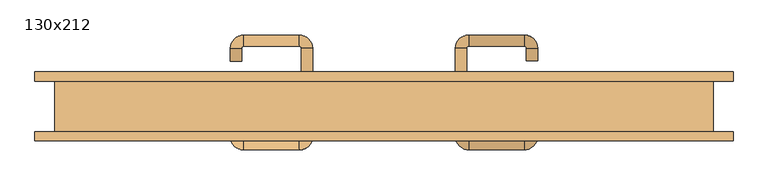
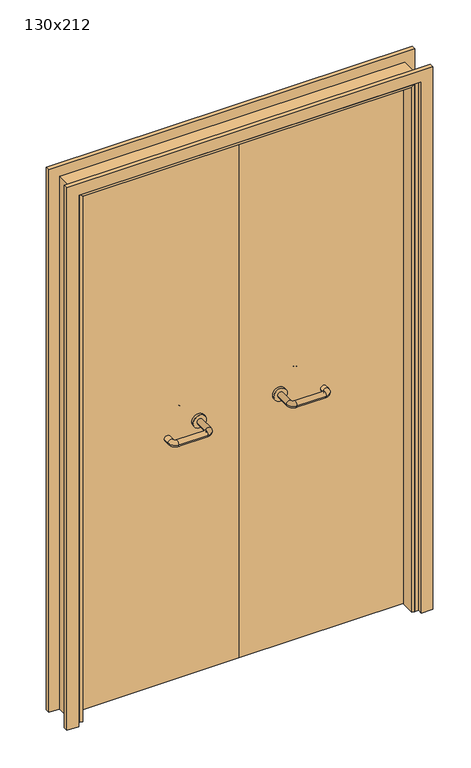
"""IFC4 building model written with IfcOpenShell, lengths in millimetres: door geometry, 130x212."""

from ifc_helpers import new_model, si_unit, point, frame, frame_2d, origin, place, context, project, spatial, polyline, circle_curve, ellipse_curve, trimmed, segment, composite_curve, outline, extrude, faceted_brep, source, transform, mapped, element, save
from ifc_brep_helpers import plane_surface, cylinder_surface, revolved_surface, advanced_brep


def door_130x212_60740bf2(model_context):
    return source(origin(), model_context, "Body", "SolidModel", [
        faceted_brep([(-620.0, 3.0, 0.0), (-620.0, -49.9, 0.0), (-630.0, -49.9, 0.0), (-630.0, 3.0, 0.0), (-620.0, 3.0, 2090.0), (-620.0, -49.9, 2090.0), (-630.0, -49.9, 2100.0), (-630.0, 3.0, 2100.0), (620.0, 3.0, 0.0), (630.0, 3.0, 0.0), (630.0, -49.9, 0.0), (620.0, -49.9, 0.0), (620.0, 3.0, 2090.0), (630.0, 3.0, 2100.0), (630.0, -49.9, 2100.0), (620.0, -49.9, 2090.0)], [[[0, 1, 2, 3]], [[1, 0, 4, 5]], [[2, 1, 5, 6]], [[3, 2, 6, 7]], [[0, 3, 7, 4]], [[8, 9, 10, 11]], [[12, 13, 9, 8]], [[13, 14, 10, 9]], [[14, 15, 11, 10]], [[15, 12, 8, 11]], [[5, 4, 12, 15]], [[6, 5, 15, 14]], [[7, 6, 14, 13]], [[4, 7, 13, 12]]]),
        extrude(outline(polyline([(2159.0, 689.0), (2159.0, -689.0), (0.0, -689.0), (0.0, -645.0), (2115.0, -645.0), (2115.0, 645.0), (0.0, 645.0), (0.0, 689.0), (2159.0, 689.0)])), frame((0.0, 50.0, 0.0), z_axis=(0.0, 1.0, 0.0), x_axis=(0.0, 0.0, 1.0)), (0.0, 0.0, 1.0), 18.0),
        extrude(outline(polyline([(2159.0, -689.0), (0.0, -689.0), (0.0, -645.0), (2115.0, -645.0), (2115.0, 645.0), (0.0, 645.0), (0.0, 689.0), (2159.0, 689.0), (2159.0, -689.0)])), frame((0.0, -68.0, 0.0), z_axis=(0.0, 1.0, 0.0), x_axis=(0.0, 0.0, 1.0)), (0.0, 0.0, 1.0), 18.0),
        extrude(outline(polyline([(2120.0, -650.0), (0.0, -650.0), (0.0, -630.0), (2100.0, -630.0), (2100.0, 630.0), (0.0, 630.0), (0.0, 650.0), (2120.0, 650.0), (2120.0, -650.0)])), frame((0.0, -49.9, 0.0), z_axis=(0.0, 1.0, 0.0), x_axis=(0.0, 0.0, 1.0)), (0.0, 0.0, 1.0), 99.9),
        advanced_brep(
        [(140.99898, -4.0, 1003.0), (162.99898, -4.0, 1003.0), (140.99898, -59.3525369, 1003.0), (162.99898, -59.3525369, 1003.0), (166.99898, -63.3525369, 1003.0), (166.99898, -85.3525369, 1003.0), (276.99898, -85.3525369, 1003.0), (276.99898, -63.3525369, 1003.0), (280.99898, -59.3525369, 1003.0), (302.99898, -59.3525369, 1003.0), (302.99898, -42.0, 1003.0), (280.99898, -42.0, 1003.0)],
        [
            (0, 1, circle_curve(frame((151.99898, -4.0, 1003.0), z_axis=(0.0, 1.0, 0.0), x_axis=(1.0, 0.0, 0.0)), 11.0)),
            (1, 0, circle_curve(frame((151.99898, -4.0, 1003.0), z_axis=(0.0, 1.0, 0.0), x_axis=(1.0, 0.0, 0.0)), 11.0)),
            (0, 2),
            (2, 3, circle_curve(frame((151.99898, -59.3525369, 1003.0), z_axis=(0.0, 1.0, 0.0), x_axis=(1.0, 0.0, 0.0)), 11.0)),
            (3, 1),
            (3, 2, circle_curve(frame((151.99898, -59.3525369, 1003.0), z_axis=(0.0, 1.0, 0.0), x_axis=(1.0, 0.0, 0.0)), 11.0)),
            (4, 3, circle_curve(frame((166.99898, -59.3525369, 1003.0), z_axis=(0.0, 0.0, -1.0), x_axis=(-1.0, 0.0, 0.0)), 4.0)),
            (2, 5, circle_curve(frame((166.99898, -59.3525369, 1003.0), z_axis=(0.0, 0.0, 1.0), x_axis=(-1.0, 0.0, 0.0)), 26.0)),
            (5, 4, circle_curve(frame((166.99898, -74.3525369, 1003.0), z_axis=(-1.0, 0.0, 0.0), x_axis=(0.0, 1.0, 0.0)), 11.0)),
            (4, 5, circle_curve(frame((166.99898, -74.3525369, 1003.0), z_axis=(-1.0, 0.0, 0.0), x_axis=(0.0, 1.0, 0.0)), 11.0)),
            (5, 6),
            (6, 7, circle_curve(frame((276.99898, -74.3525369, 1003.0), z_axis=(-1.0, 0.0, 0.0), x_axis=(0.0, 1.0, 0.0)), 11.0)),
            (7, 4),
            (7, 6, circle_curve(frame((276.99898, -74.3525369, 1003.0), z_axis=(-1.0, 0.0, 0.0), x_axis=(0.0, 1.0, 0.0)), 11.0)),
            (8, 7, circle_curve(frame((276.99898, -59.3525369, 1003.0), z_axis=(0.0, 0.0, -1.0), x_axis=(0.0, -1.0, 0.0)), 4.0)),
            (6, 9, circle_curve(frame((276.99898, -59.3525369, 1003.0), z_axis=(0.0, 0.0, 1.0), x_axis=(0.0, -1.0, 0.0)), 26.0)),
            (9, 8, circle_curve(frame((291.99898, -59.3525369, 1003.0), z_axis=(0.0, -1.0, 0.0), x_axis=(-1.0, 0.0, 0.0)), 11.0)),
            (8, 9, circle_curve(frame((291.99898, -59.3525369, 1003.0), z_axis=(0.0, -1.0, 0.0), x_axis=(-1.0, 0.0, 0.0)), 11.0)),
            (10, 11, circle_curve(frame((291.99898, -42.0, 1003.0), z_axis=(0.0, 1.0, 0.0), x_axis=(-1.0, 0.0, 0.0)), 11.0)),
            (11, 10, circle_curve(frame((291.99898, -42.0, 1003.0), z_axis=(0.0, 1.0, 0.0), x_axis=(-1.0, 0.0, 0.0)), 11.0)),
            (9, 10),
            (11, 8),
        ],
        [
            plane_surface(frame((140.99898, -4.0, 1003.0), z_axis=(0.0, 1.0, 0.0), x_axis=(0.0, 0.0, -1.0))),
            cylinder_surface(frame((151.99898, -4.0, 1003.0), z_axis=(0.0, 1.0, 0.0), x_axis=(1.0, 0.0, 0.0)), 11.0),
            revolved_surface(trimmed(ellipse_curve(frame((151.99898, -59.3525369, 1003.0), z_axis=(0.0, 1.0, 0.0), x_axis=(1.0, 0.0, 0.0)), 11.0, 11.0), [point((140.99898, -59.3525369, 1003.0))], [point((162.99898, -59.3525369, 1003.0))], True, "CARTESIAN"), (166.99898, -59.3525369, 1003.0), (0.0, 0.0, 1.0)),
            revolved_surface(trimmed(ellipse_curve(frame((151.99898, -59.3525369, 1003.0), z_axis=(0.0, 1.0, 0.0), x_axis=(1.0, 0.0, 0.0)), 11.0, 11.0), [point((162.99898, -59.3525369, 1003.0))], [point((140.99898, -59.3525369, 1003.0))], True, "CARTESIAN"), (166.99898, -59.3525369, 1003.0), (0.0, 0.0, 1.0)),
            cylinder_surface(frame((166.99898, -74.3525369, 1003.0), z_axis=(-1.0, 0.0, 0.0), x_axis=(0.0, 1.0, 0.0)), 11.0),
            revolved_surface(trimmed(ellipse_curve(frame((276.99898, -74.3525369, 1003.0), z_axis=(-1.0, 0.0, 0.0), x_axis=(0.0, 1.0, 0.0)), 11.0, 11.0), [point((276.99898, -85.3525369, 1003.0))], [point((276.99898, -63.3525369, 1003.0))], True, "CARTESIAN"), (276.99898, -59.3525369, 1003.0), (0.0, 0.0, 1.0)),
            revolved_surface(trimmed(ellipse_curve(frame((276.99898, -74.3525369, 1003.0), z_axis=(-1.0, 0.0, 0.0), x_axis=(0.0, 1.0, 0.0)), 11.0, 11.0), [point((276.99898, -63.3525369, 1003.0))], [point((276.99898, -85.3525369, 1003.0))], True, "CARTESIAN"), (276.99898, -59.3525369, 1003.0), (0.0, 0.0, 1.0)),
            plane_surface(frame((280.99898, -42.0, 1003.0), z_axis=(0.0, 1.0, 0.0), x_axis=(0.0, 0.0, 1.0))),
            cylinder_surface(frame((291.99898, -59.3525369, 1003.0), z_axis=(0.0, -1.0, 0.0), x_axis=(-1.0, 0.0, 0.0)), 11.0),
        ],
        [
            (0, [[1, 2]]),
            (1, [[-1, 3, 4, 5]]),
            (1, [[-2, -5, 6, -3]]),
            (2, [[7, -4, 8, 9]]),
            (3, [[-8, -6, -7, 10]]),
            (4, [[-9, 11, 12, 13]]),
            (4, [[-10, -13, 14, -11]]),
            (5, [[15, -12, 16, 17]]),
            (6, [[-16, -14, -15, 18]]),
            (7, [[19, 20]]),
            (8, [[-17, 21, -20, 22]]),
            (8, [[-18, -22, -19, -21]]),
        ],
    ),
        extrude(outline(composite_curve([segment(trimmed(circle_curve(frame_2d((1003.0, 151.99898)), 25.0), [point((1003.0, 126.99898))], [point((1003.0, 176.99898))], False, "CARTESIAN"), True, "CONTINUOUS"), segment(trimmed(circle_curve(frame_2d((1003.0, 151.99898)), 25.0), [point((1003.0, 176.99898))], [point((1003.0, 126.99898))], False, "CARTESIAN"), True, "CONTINUOUS")], self_intersect=False)), frame((0.0, -4.0, 0.0), z_axis=(0.0, 1.0, 0.0), x_axis=(0.0, 0.0, 1.0)), (0.0, 0.0, 1.0), 10.0),
        advanced_brep(
        [(162.99898, 60.0, 1003.0), (140.99898, 60.0, 1003.0), (162.99898, 115.0, 1003.0), (140.99898, 115.0, 1003.0), (166.99898, 141.0, 1003.0), (166.99898, 119.0, 1003.0), (276.99898, 119.0, 1003.0), (276.99898, 141.0, 1003.0), (302.99898, 115.0, 1003.0), (280.99898, 115.0, 1003.0), (280.99898, 90.0, 1003.0), (302.99898, 90.0, 1003.0)],
        [
            (0, 1, circle_curve(frame((151.99898, 60.0, 1003.0), z_axis=(0.0, -1.0, 0.0), x_axis=(-1.0, 0.0, 0.0)), 11.0)),
            (1, 0, circle_curve(frame((151.99898, 60.0, 1003.0), z_axis=(0.0, -1.0, 0.0), x_axis=(-1.0, 0.0, 0.0)), 11.0)),
            (0, 2),
            (2, 3, circle_curve(frame((151.99898, 115.0, 1003.0), z_axis=(0.0, -1.0, 0.0), x_axis=(-1.0, 0.0, 0.0)), 11.0)),
            (3, 1),
            (3, 2, circle_curve(frame((151.99898, 115.0, 1003.0), z_axis=(0.0, -1.0, 0.0), x_axis=(-1.0, 0.0, 0.0)), 11.0)),
            (4, 3, circle_curve(frame((166.99898, 115.0, 1003.0), z_axis=(0.0, 0.0, 1.0), x_axis=(-1.0, 0.0, 0.0)), 26.0)),
            (2, 5, circle_curve(frame((166.99898, 115.0, 1003.0), z_axis=(0.0, 0.0, -1.0), x_axis=(-1.0, 0.0, 0.0)), 4.0)),
            (5, 4, circle_curve(frame((166.99898, 130.0, 1003.0), z_axis=(-1.0, 0.0, 0.0), x_axis=(0.0, 1.0, 0.0)), 11.0)),
            (4, 5, circle_curve(frame((166.99898, 130.0, 1003.0), z_axis=(-1.0, 0.0, 0.0), x_axis=(0.0, 1.0, 0.0)), 11.0)),
            (5, 6),
            (6, 7, circle_curve(frame((276.99898, 130.0, 1003.0), z_axis=(-1.0, 0.0, 0.0), x_axis=(0.0, 1.0, 0.0)), 11.0)),
            (7, 4),
            (7, 6, circle_curve(frame((276.99898, 130.0, 1003.0), z_axis=(-1.0, 0.0, 0.0), x_axis=(0.0, 1.0, 0.0)), 11.0)),
            (8, 7, circle_curve(frame((276.99898, 115.0, 1003.0), z_axis=(0.0, 0.0, 1.0), x_axis=(0.0, 1.0, 0.0)), 26.0)),
            (6, 9, circle_curve(frame((276.99898, 115.0, 1003.0), z_axis=(0.0, 0.0, -1.0), x_axis=(0.0, 1.0, 0.0)), 4.0)),
            (9, 8, circle_curve(frame((291.99898, 115.0, 1003.0), z_axis=(0.0, 1.0, 0.0), x_axis=(1.0, 0.0, 0.0)), 11.0)),
            (8, 9, circle_curve(frame((291.99898, 115.0, 1003.0), z_axis=(0.0, 1.0, 0.0), x_axis=(1.0, 0.0, 0.0)), 11.0)),
            (10, 11, circle_curve(frame((291.99898, 90.0, 1003.0), z_axis=(0.0, -1.0, 0.0), x_axis=(1.0, 0.0, 0.0)), 11.0)),
            (11, 10, circle_curve(frame((291.99898, 90.0, 1003.0), z_axis=(0.0, -1.0, 0.0), x_axis=(1.0, 0.0, 0.0)), 11.0)),
            (9, 10),
            (11, 8),
        ],
        [
            plane_surface(frame((140.99898, 60.0, 1003.0), z_axis=(0.0, -1.0, 0.0), x_axis=(0.0, 0.0, 1.0))),
            cylinder_surface(frame((151.99898, 60.0, 1003.0), z_axis=(0.0, -1.0, 0.0), x_axis=(-1.0, 0.0, 0.0)), 11.0),
            revolved_surface(trimmed(ellipse_curve(frame((151.99898, 115.0, 1003.0), z_axis=(0.0, -1.0, 0.0), x_axis=(-1.0, 0.0, 0.0)), 11.0, 11.0), [point((162.99898, 115.0, 1003.0))], [point((140.99898, 115.0, 1003.0))], True, "CARTESIAN"), (166.99898, 115.0, 1003.0), (0.0, 0.0, -1.0)),
            revolved_surface(trimmed(ellipse_curve(frame((151.99898, 115.0, 1003.0), z_axis=(0.0, -1.0, 0.0), x_axis=(-1.0, 0.0, 0.0)), 11.0, 11.0), [point((140.99898, 115.0, 1003.0))], [point((162.99898, 115.0, 1003.0))], True, "CARTESIAN"), (166.99898, 115.0, 1003.0), (0.0, 0.0, -1.0)),
            cylinder_surface(frame((166.99898, 130.0, 1003.0), z_axis=(-1.0, 0.0, 0.0), x_axis=(0.0, 1.0, 0.0)), 11.0),
            revolved_surface(trimmed(ellipse_curve(frame((276.99898, 130.0, 1003.0), z_axis=(-1.0, 0.0, 0.0), x_axis=(0.0, 1.0, 0.0)), 11.0, 11.0), [point((276.99898, 119.0, 1003.0))], [point((276.99898, 141.0, 1003.0))], True, "CARTESIAN"), (276.99898, 115.0, 1003.0), (0.0, 0.0, -1.0)),
            revolved_surface(trimmed(ellipse_curve(frame((276.99898, 130.0, 1003.0), z_axis=(-1.0, 0.0, 0.0), x_axis=(0.0, 1.0, 0.0)), 11.0, 11.0), [point((276.99898, 141.0, 1003.0))], [point((276.99898, 119.0, 1003.0))], True, "CARTESIAN"), (276.99898, 115.0, 1003.0), (0.0, 0.0, -1.0)),
            plane_surface(frame((280.99898, 90.0, 1003.0), z_axis=(0.0, -1.0, 0.0), x_axis=(0.0, 0.0, -1.0))),
            cylinder_surface(frame((291.99898, 115.0, 1003.0), z_axis=(0.0, 1.0, 0.0), x_axis=(1.0, 0.0, 0.0)), 11.0),
        ],
        [
            (0, [[1, 2]]),
            (1, [[-1, 3, 4, 5]]),
            (1, [[-2, -5, 6, -3]]),
            (2, [[7, -4, 8, 9]]),
            (3, [[-8, -6, -7, 10]]),
            (4, [[-9, 11, 12, 13]]),
            (4, [[-10, -13, 14, -11]]),
            (5, [[15, -12, 16, 17]]),
            (6, [[-16, -14, -15, 18]]),
            (7, [[19, 20]]),
            (8, [[-17, 21, -20, 22]]),
            (8, [[-18, -22, -19, -21]]),
        ],
    ),
        extrude(outline(composite_curve([segment(trimmed(circle_curve(frame_2d((1003.0, 151.99898)), 25.0), [point((1003.0, 176.99898))], [point((1003.0, 126.99898))], False, "CARTESIAN"), True, "CONTINUOUS"), segment(trimmed(circle_curve(frame_2d((1003.0, 151.99898)), 25.0), [point((1003.0, 126.99898))], [point((1003.0, 176.99898))], False, "CARTESIAN"), True, "CONTINUOUS")], self_intersect=False)), frame((0.0, 50.0, 0.0), z_axis=(0.0, 1.0, 0.0), x_axis=(0.0, 0.0, 1.0)), (0.0, 0.0, 1.0), 10.0),
        advanced_brep(
        [(-162.99898, -4.3113879, 1003.0), (-140.99898, -4.3113879, 1003.0), (-162.99898, -59.7220447, 1003.0), (-140.99898, -59.7220447, 1003.0), (-166.99898, -85.7220447, 1003.0), (-166.99898, -63.7220447, 1003.0), (-276.99898, -63.7220447, 1003.0), (-276.99898, -85.7220447, 1003.0), (-302.99898, -59.7220447, 1003.0), (-280.99898, -59.7220447, 1003.0), (-280.99898, -34.7220447, 1003.0), (-302.99898, -34.7220447, 1003.0)],
        [
            (0, 1, circle_curve(frame((-151.99898, -4.3113879, 1003.0), z_axis=(0.0, 1.0, 0.0), x_axis=(1.0, 0.0, 0.0)), 11.0)),
            (1, 0, circle_curve(frame((-151.99898, -4.3113879, 1003.0), z_axis=(0.0, 1.0, 0.0), x_axis=(1.0, 0.0, 0.0)), 11.0)),
            (0, 2),
            (2, 3, circle_curve(frame((-151.99898, -59.7220447, 1003.0), z_axis=(0.0, 1.0, 0.0), x_axis=(1.0, 0.0, 0.0)), 11.0)),
            (3, 1),
            (3, 2, circle_curve(frame((-151.99898, -59.7220447, 1003.0), z_axis=(0.0, 1.0, 0.0), x_axis=(1.0, 0.0, 0.0)), 11.0)),
            (4, 3, circle_curve(frame((-166.99898, -59.7220447, 1003.0), z_axis=(0.0, 0.0, 1.0), x_axis=(1.0, 0.0, 0.0)), 26.0)),
            (2, 5, circle_curve(frame((-166.99898, -59.7220447, 1003.0), z_axis=(0.0, 0.0, -1.0), x_axis=(1.0, 0.0, 0.0)), 4.0)),
            (5, 4, circle_curve(frame((-166.99898, -74.7220447, 1003.0), z_axis=(1.0, 0.0, 0.0), x_axis=(0.0, -1.0, 0.0)), 11.0)),
            (4, 5, circle_curve(frame((-166.99898, -74.7220447, 1003.0), z_axis=(1.0, 0.0, 0.0), x_axis=(0.0, -1.0, 0.0)), 11.0)),
            (5, 6),
            (6, 7, circle_curve(frame((-276.99898, -74.7220447, 1003.0), z_axis=(1.0, 0.0, 0.0), x_axis=(0.0, -1.0, 0.0)), 11.0)),
            (7, 4),
            (7, 6, circle_curve(frame((-276.99898, -74.7220447, 1003.0), z_axis=(1.0, 0.0, 0.0), x_axis=(0.0, -1.0, 0.0)), 11.0)),
            (8, 7, circle_curve(frame((-276.99898, -59.7220447, 1003.0), z_axis=(0.0, 0.0, 1.0), x_axis=(0.0, -1.0, 0.0)), 26.0)),
            (6, 9, circle_curve(frame((-276.99898, -59.7220447, 1003.0), z_axis=(0.0, 0.0, -1.0), x_axis=(0.0, -1.0, 0.0)), 4.0)),
            (9, 8, circle_curve(frame((-291.99898, -59.7220447, 1003.0), z_axis=(0.0, -1.0, 0.0), x_axis=(-1.0, 0.0, 0.0)), 11.0)),
            (8, 9, circle_curve(frame((-291.99898, -59.7220447, 1003.0), z_axis=(0.0, -1.0, 0.0), x_axis=(-1.0, 0.0, 0.0)), 11.0)),
            (10, 11, circle_curve(frame((-291.99898, -34.7220447, 1003.0), z_axis=(0.0, 1.0, 0.0), x_axis=(-1.0, 0.0, 0.0)), 11.0)),
            (11, 10, circle_curve(frame((-291.99898, -34.7220447, 1003.0), z_axis=(0.0, 1.0, 0.0), x_axis=(-1.0, 0.0, 0.0)), 11.0)),
            (9, 10),
            (11, 8),
        ],
        [
            plane_surface(frame((-162.99898, -4.3113879, 1003.0), z_axis=(0.0, 1.0, 0.0), x_axis=(0.0, 0.0, -1.0))),
            cylinder_surface(frame((-151.99898, -4.3113879, 1003.0), z_axis=(0.0, 1.0, 0.0), x_axis=(1.0, 0.0, 0.0)), 11.0),
            revolved_surface(trimmed(ellipse_curve(frame((-151.99898, -59.7220447, 1003.0), z_axis=(0.0, 1.0, 0.0), x_axis=(1.0, 0.0, 0.0)), 11.0, 11.0), [point((-162.99898, -59.7220447, 1003.0))], [point((-140.99898, -59.7220447, 1003.0))], True, "CARTESIAN"), (-166.99898, -59.7220447, 1003.0), (0.0, 0.0, -1.0)),
            revolved_surface(trimmed(ellipse_curve(frame((-151.99898, -59.7220447, 1003.0), z_axis=(0.0, 1.0, 0.0), x_axis=(1.0, 0.0, 0.0)), 11.0, 11.0), [point((-140.99898, -59.7220447, 1003.0))], [point((-162.99898, -59.7220447, 1003.0))], True, "CARTESIAN"), (-166.99898, -59.7220447, 1003.0), (0.0, 0.0, -1.0)),
            cylinder_surface(frame((-166.99898, -74.7220447, 1003.0), z_axis=(1.0, 0.0, 0.0), x_axis=(0.0, -1.0, 0.0)), 11.0),
            revolved_surface(trimmed(ellipse_curve(frame((-276.99898, -74.7220447, 1003.0), z_axis=(1.0, 0.0, 0.0), x_axis=(0.0, -1.0, 0.0)), 11.0, 11.0), [point((-276.99898, -63.7220447, 1003.0))], [point((-276.99898, -85.7220447, 1003.0))], True, "CARTESIAN"), (-276.99898, -59.7220447, 1003.0), (0.0, 0.0, -1.0)),
            revolved_surface(trimmed(ellipse_curve(frame((-276.99898, -74.7220447, 1003.0), z_axis=(1.0, 0.0, 0.0), x_axis=(0.0, -1.0, 0.0)), 11.0, 11.0), [point((-276.99898, -85.7220447, 1003.0))], [point((-276.99898, -63.7220447, 1003.0))], True, "CARTESIAN"), (-276.99898, -59.7220447, 1003.0), (0.0, 0.0, -1.0)),
            plane_surface(frame((-302.99898, -34.7220447, 1003.0), z_axis=(0.0, 1.0, 0.0), x_axis=(0.0, 0.0, 1.0))),
            cylinder_surface(frame((-291.99898, -59.7220447, 1003.0), z_axis=(0.0, -1.0, 0.0), x_axis=(-1.0, 0.0, 0.0)), 11.0),
        ],
        [
            (0, [[1, 2]]),
            (1, [[-1, 3, 4, 5]]),
            (1, [[-2, -5, 6, -3]]),
            (2, [[7, -4, 8, 9]]),
            (3, [[-8, -6, -7, 10]]),
            (4, [[-9, 11, 12, 13]]),
            (4, [[-10, -13, 14, -11]]),
            (5, [[15, -12, 16, 17]]),
            (6, [[-16, -14, -15, 18]]),
            (7, [[19, 20]]),
            (8, [[-17, 21, -20, 22]]),
            (8, [[-18, -22, -19, -21]]),
        ],
    ),
        extrude(outline(composite_curve([segment(trimmed(circle_curve(frame_2d((1003.0, -151.99898)), 25.0), [point((1003.0, -176.99898))], [point((1003.0, -126.99898))], False, "CARTESIAN"), True, "CONTINUOUS"), segment(trimmed(circle_curve(frame_2d((1003.0, -151.99898)), 25.0), [point((1003.0, -126.99898))], [point((1003.0, -176.99898))], False, "CARTESIAN"), True, "CONTINUOUS")], self_intersect=False)), frame((0.0, -4.3113879, 0.0), z_axis=(0.0, 1.0, 0.0), x_axis=(0.0, 0.0, 1.0)), (0.0, 0.0, 1.0), 10.3113879),
        advanced_brep(
        [(-140.99898, 59.5143417, 1003.0), (-162.99898, 59.5143417, 1003.0), (-140.99898, 114.6104656, 1003.0), (-162.99898, 114.6104656, 1003.0), (-166.99898, 118.6104656, 1003.0), (-166.99898, 140.6104656, 1003.0), (-276.99898, 140.6104656, 1003.0), (-276.99898, 118.6104656, 1003.0), (-280.99898, 114.6104656, 1003.0), (-302.99898, 114.6104656, 1003.0), (-302.99898, 89.6104656, 1003.0), (-280.99898, 89.6104656, 1003.0)],
        [
            (0, 1, circle_curve(frame((-151.99898, 59.5143417, 1003.0), z_axis=(0.0, -1.0, 0.0), x_axis=(-1.0, 0.0, 0.0)), 11.0)),
            (1, 0, circle_curve(frame((-151.99898, 59.5143417, 1003.0), z_axis=(0.0, -1.0, 0.0), x_axis=(-1.0, 0.0, 0.0)), 11.0)),
            (0, 2),
            (2, 3, circle_curve(frame((-151.99898, 114.6104656, 1003.0), z_axis=(0.0, -1.0, 0.0), x_axis=(-1.0, 0.0, 0.0)), 11.0)),
            (3, 1),
            (3, 2, circle_curve(frame((-151.99898, 114.6104656, 1003.0), z_axis=(0.0, -1.0, 0.0), x_axis=(-1.0, 0.0, 0.0)), 11.0)),
            (4, 3, circle_curve(frame((-166.99898, 114.6104656, 1003.0), z_axis=(0.0, 0.0, -1.0), x_axis=(1.0, 0.0, 0.0)), 4.0)),
            (2, 5, circle_curve(frame((-166.99898, 114.6104656, 1003.0), z_axis=(0.0, 0.0, 1.0), x_axis=(1.0, 0.0, 0.0)), 26.0)),
            (5, 4, circle_curve(frame((-166.99898, 129.6104656, 1003.0), z_axis=(1.0, 0.0, 0.0), x_axis=(0.0, -1.0, 0.0)), 11.0)),
            (4, 5, circle_curve(frame((-166.99898, 129.6104656, 1003.0), z_axis=(1.0, 0.0, 0.0), x_axis=(0.0, -1.0, 0.0)), 11.0)),
            (5, 6),
            (6, 7, circle_curve(frame((-276.99898, 129.6104656, 1003.0), z_axis=(1.0, 0.0, 0.0), x_axis=(0.0, -1.0, 0.0)), 11.0)),
            (7, 4),
            (7, 6, circle_curve(frame((-276.99898, 129.6104656, 1003.0), z_axis=(1.0, 0.0, 0.0), x_axis=(0.0, -1.0, 0.0)), 11.0)),
            (8, 7, circle_curve(frame((-276.99898, 114.6104656, 1003.0), z_axis=(0.0, 0.0, -1.0), x_axis=(0.0, 1.0, 0.0)), 4.0)),
            (6, 9, circle_curve(frame((-276.99898, 114.6104656, 1003.0), z_axis=(0.0, 0.0, 1.0), x_axis=(0.0, 1.0, 0.0)), 26.0)),
            (9, 8, circle_curve(frame((-291.99898, 114.6104656, 1003.0), z_axis=(0.0, 1.0, 0.0), x_axis=(1.0, 0.0, 0.0)), 11.0)),
            (8, 9, circle_curve(frame((-291.99898, 114.6104656, 1003.0), z_axis=(0.0, 1.0, 0.0), x_axis=(1.0, 0.0, 0.0)), 11.0)),
            (10, 11, circle_curve(frame((-291.99898, 89.6104656, 1003.0), z_axis=(0.0, -1.0, 0.0), x_axis=(1.0, 0.0, 0.0)), 11.0)),
            (11, 10, circle_curve(frame((-291.99898, 89.6104656, 1003.0), z_axis=(0.0, -1.0, 0.0), x_axis=(1.0, 0.0, 0.0)), 11.0)),
            (9, 10),
            (11, 8),
        ],
        [
            plane_surface(frame((-162.99898, 59.5143417, 1003.0), z_axis=(0.0, -1.0, 0.0), x_axis=(0.0, 0.0, 1.0))),
            cylinder_surface(frame((-151.99898, 59.5143417, 1003.0), z_axis=(0.0, -1.0, 0.0), x_axis=(-1.0, 0.0, 0.0)), 11.0),
            revolved_surface(trimmed(ellipse_curve(frame((-151.99898, 114.6104656, 1003.0), z_axis=(0.0, -1.0, 0.0), x_axis=(-1.0, 0.0, 0.0)), 11.0, 11.0), [point((-140.99898, 114.6104656, 1003.0))], [point((-162.99898, 114.6104656, 1003.0))], True, "CARTESIAN"), (-166.99898, 114.6104656, 1003.0), (0.0, 0.0, 1.0)),
            revolved_surface(trimmed(ellipse_curve(frame((-151.99898, 114.6104656, 1003.0), z_axis=(0.0, -1.0, 0.0), x_axis=(-1.0, 0.0, 0.0)), 11.0, 11.0), [point((-162.99898, 114.6104656, 1003.0))], [point((-140.99898, 114.6104656, 1003.0))], True, "CARTESIAN"), (-166.99898, 114.6104656, 1003.0), (0.0, 0.0, 1.0)),
            cylinder_surface(frame((-166.99898, 129.6104656, 1003.0), z_axis=(1.0, 0.0, 0.0), x_axis=(0.0, -1.0, 0.0)), 11.0),
            revolved_surface(trimmed(ellipse_curve(frame((-276.99898, 129.6104656, 1003.0), z_axis=(1.0, 0.0, 0.0), x_axis=(0.0, -1.0, 0.0)), 11.0, 11.0), [point((-276.99898, 140.6104656, 1003.0))], [point((-276.99898, 118.6104656, 1003.0))], True, "CARTESIAN"), (-276.99898, 114.6104656, 1003.0), (0.0, 0.0, 1.0)),
            revolved_surface(trimmed(ellipse_curve(frame((-276.99898, 129.6104656, 1003.0), z_axis=(1.0, 0.0, 0.0), x_axis=(0.0, -1.0, 0.0)), 11.0, 11.0), [point((-276.99898, 118.6104656, 1003.0))], [point((-276.99898, 140.6104656, 1003.0))], True, "CARTESIAN"), (-276.99898, 114.6104656, 1003.0), (0.0, 0.0, 1.0)),
            plane_surface(frame((-302.99898, 89.6104656, 1003.0), z_axis=(0.0, -1.0, 0.0), x_axis=(0.0, 0.0, -1.0))),
            cylinder_surface(frame((-291.99898, 114.6104656, 1003.0), z_axis=(0.0, 1.0, 0.0), x_axis=(1.0, 0.0, 0.0)), 11.0),
        ],
        [
            (0, [[1, 2]]),
            (1, [[-1, 3, 4, 5]]),
            (1, [[-2, -5, 6, -3]]),
            (2, [[7, -4, 8, 9]]),
            (3, [[-8, -6, -7, 10]]),
            (4, [[-9, 11, 12, 13]]),
            (4, [[-10, -13, 14, -11]]),
            (5, [[15, -12, 16, 17]]),
            (6, [[-16, -14, -15, 18]]),
            (7, [[19, 20]]),
            (8, [[-17, 21, -20, 22]]),
            (8, [[-18, -22, -19, -21]]),
        ],
    ),
        extrude(outline(composite_curve([segment(trimmed(circle_curve(frame_2d((1003.0, -151.99898)), 25.0), [point((1003.0, -126.99898))], [point((1003.0, -176.99898))], False, "CARTESIAN"), True, "CONTINUOUS"), segment(trimmed(circle_curve(frame_2d((1003.0, -151.99898)), 25.0), [point((1003.0, -176.99898))], [point((1003.0, -126.99898))], False, "CARTESIAN"), True, "CONTINUOUS")], self_intersect=False)), frame((0.0, 50.0, 0.0), z_axis=(0.0, 1.0, 0.0), x_axis=(0.0, 0.0, 1.0)), (0.0, 0.0, 1.0), 9.5143417),
        extrude(outline(polyline([(1.0739506, 6.0), (-627.0, 6.0), (-627.0, 50.0), (1.0739506, 50.0), (1.0739506, 6.0)])), frame((0.0, 0.0, 1.753223), z_axis=(0.0, 0.0, 1.0), x_axis=(1.0, 0.0, 0.0)), (0.0, 0.0, 1.0), 2098.246777),
        extrude(outline(polyline([(627.0, 6.0), (1.0739506, 6.0), (1.0739506, 50.0), (627.0, 50.0), (627.0, 6.0)])), frame((0.0, 0.0, 1.753223), z_axis=(0.0, 0.0, 1.0), x_axis=(1.0, 0.0, 0.0)), (0.0, 0.0, 1.0), 2098.246777),
    ])


if __name__ == "__main__":
    model = new_model("IFC4")
    model_context = context("Model", 3, world=origin())
    ifc_project = project(units=[si_unit("LENGTHUNIT", "METRE", prefix="MILLI")], contexts=[model_context])
    site = spatial("IfcSite", under=ifc_project)
    building = spatial("IfcBuilding", under=site)
    placement = place(None, origin())
    door_130x212_shape = door_130x212_60740bf2(model_context)
    element("IfcDoor", 1, ObjectType="130x212", at=placement, inside=building, context=model_context, shape_type="MappedRepresentation", body=[
        mapped(door_130x212_shape, transform((0.0, 0.0, 0.0), x_axis=(1.0, 0.0, 0.0), y_axis=(0.0, 1.0, 0.0), z_axis=(0.0, 0.0, 1.0))),
    ])
    save(model, "model.ifc")
